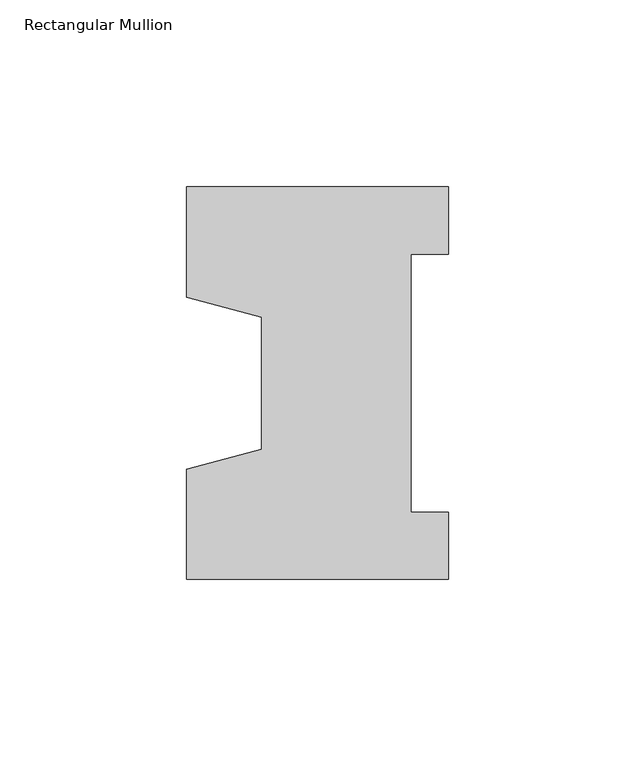
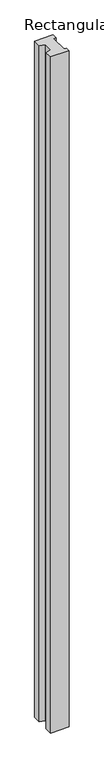
"""IFC4 building model written with IfcOpenShell, lengths in millimetres: member geometry, Rectangular Mullion."""

from ifc_helpers import new_model, si_unit, frame, origin, place, context, project, spatial, polyline, outline, extrude, source, transform, mapped, element, save


def rectangular_mullion_cf82497a(model_context):
    return source(origin(), model_context, "Body", "SweptSolid", [
        extrude(outline(polyline([(-70.0, -52.5), (-70.0, -22.9993165), (-50.0, -17.6401049), (-50.0, 17.6401049), (-70.0, 22.9993165), (-70.0, 52.5), (0.0, 52.5), (0.0, 34.5), (-10.0, 34.5), (-10.0, -34.5), (0.0, -34.5), (0.0, -52.5), (-70.0, -52.5)])), frame((0.0, 0.0, -2700.0), z_axis=(0.0, 0.0, 1.0), x_axis=(1.0, 0.0, 0.0)), (0.0, 0.0, 1.0), 2700.0),
    ])


if __name__ == "__main__":
    model = new_model("IFC4")
    model_context = context("Model", 3, world=origin())
    ifc_project = project(units=[si_unit("LENGTHUNIT", "METRE", prefix="MILLI")], contexts=[model_context])
    site = spatial("IfcSite", under=ifc_project)
    building = spatial("IfcBuilding", under=site)
    placement = place(None, origin())
    rectangular_mullion_shape = rectangular_mullion_cf82497a(model_context)
    element("IfcMember", 1, ObjectType="Rectangular Mullion", at=placement, inside=building, context=model_context, shape_type="MappedRepresentation", body=[
        mapped(rectangular_mullion_shape, transform((0.0, 0.0, 0.0), x_axis=(1.0, 0.0, 0.0), y_axis=(0.0, 1.0, 0.0), z_axis=(0.0, 0.0, 1.0))),
    ])
    save(model, "model.ifc")
